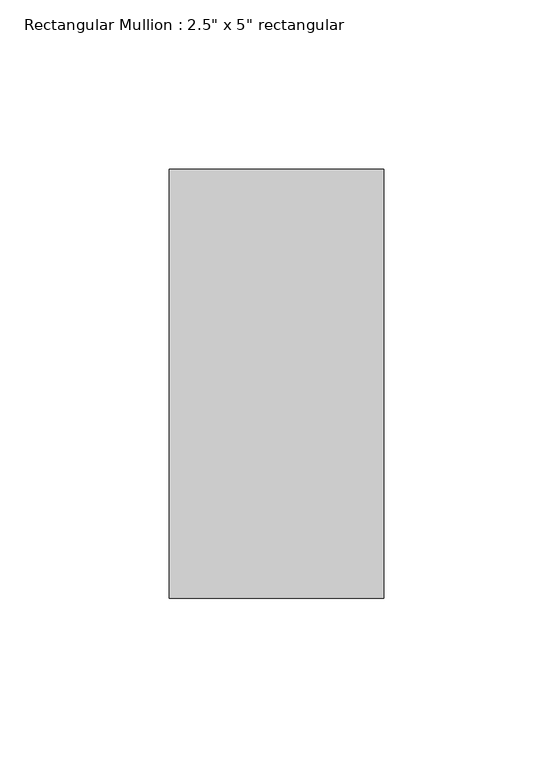
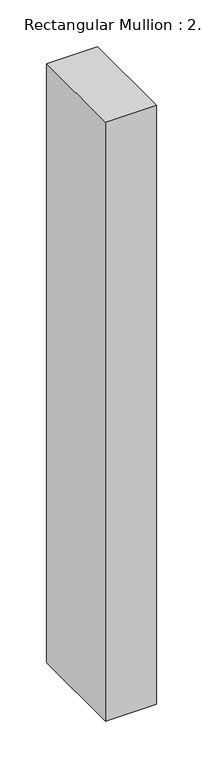
"""IFC4 building model written with IfcOpenShell, lengths in millimetres: member geometry."""

from ifc_helpers import new_model, si_unit, frame, origin, place, context, project, spatial, polyline, outline, extrude, source, transform, mapped, element, save


def member_12b7a93f(model_context):
    return source(origin(), model_context, "Body", "SweptSolid", [
        extrude(outline(polyline([(31.75, 63.5), (31.75, -63.5), (-31.75, -63.5), (-31.75, 63.5), (31.75, 63.5)])), frame((0.0, 0.0, -785.7521591), z_axis=(0.0, 0.0, 1.0), x_axis=(1.0, 0.0, 0.0)), (0.0, 0.0, 1.0), 785.7521591),
    ])


if __name__ == "__main__":
    model = new_model("IFC4")
    model_context = context("Model", 3, world=origin())
    ifc_project = project(units=[si_unit("LENGTHUNIT", "METRE", prefix="MILLI")], contexts=[model_context])
    site = spatial("IfcSite", under=ifc_project)
    building = spatial("IfcBuilding", under=site)
    placement = place(None, origin())
    member_shape = member_12b7a93f(model_context)
    element("IfcMember", 1, ObjectType="Rectangular Mullion : 2.5\" x 5\" rectangular", at=placement, inside=building, context=model_context, shape_type="MappedRepresentation", body=[
        mapped(member_shape, transform((0.0, 0.0, 0.0), x_axis=(1.0, 0.0, 0.0), y_axis=(0.0, 1.0, 0.0), z_axis=(0.0, 0.0, 1.0))),
    ])
    save(model, "model.ifc")
